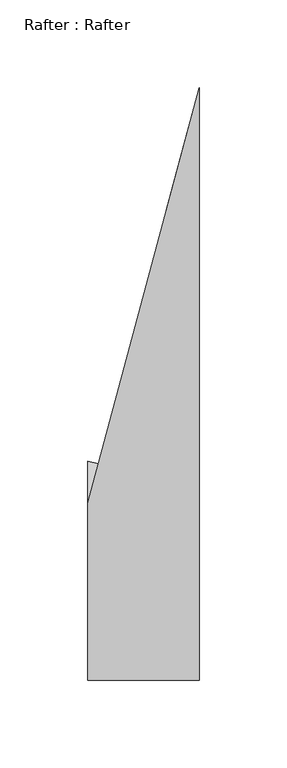
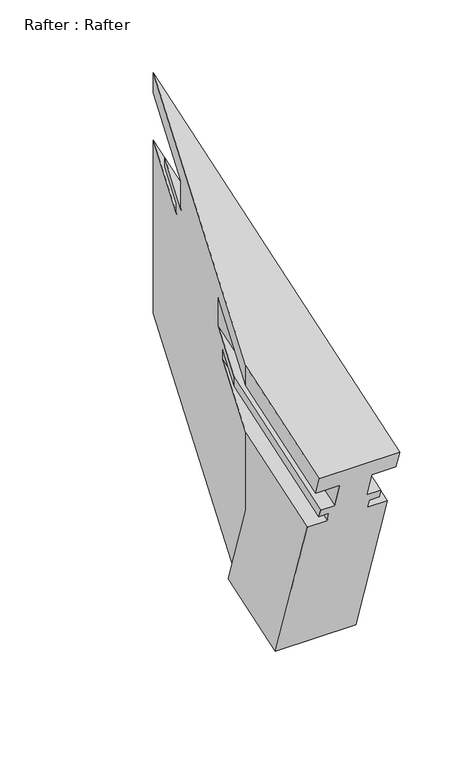
"""IFC4 building model written with IfcOpenShell, lengths in millimetres: proxy geometry, Rafter : Rafter."""

from ifc_helpers import new_model, si_unit, origin, place, context, project, spatial, faceted_brep, source, transform, mapped, element, save


def rafter_rafter_b2ddb9b0(model_context):
    return source(origin(), model_context, "Body", "Brep", [
        faceted_brep([(11458.2897284, -2215.6211927, 1954.6434696), (11394.7897284, -2215.6211927, 1954.6434696), (11394.7897284, -2210.6023777, 1939.5826887), (11413.8397284, -2210.6023777, 1939.5826887), (11413.8397284, -2203.4957358, 1918.256623), (11402.7145284, -2203.4957358, 1918.256623), (11402.7145284, -2201.2312465, 1911.4611986), (11410.6647284, -2201.2312465, 1911.4611986), (11410.6647284, -2198.7338841, 1903.966954), (11394.7897284, -2198.7338841, 1903.966954), (11394.7897284, -2155.3151122, 1773.6731263), (11458.2897284, -2155.3151122, 1773.6731263), (11458.2897284, -2198.7338841, 1903.966954), (11442.4147284, -2198.7338841, 1903.966954), (11442.4147284, -2201.2312465, 1911.4611986), (11450.3649284, -2201.2312465, 1911.4611986), (11450.3649284, -2203.4957358, 1918.256623), (11439.2397284, -2203.4957358, 1918.256623), (11439.2397284, -2210.6023777, 1939.5826887), (11458.2897284, -2210.6023777, 1939.5826887), (11458.2897284, -1877.7713674, 2050.4944179), (11458.2897284, -1877.7750722, 2067.2264209), (11439.2397284, -1948.8669352, 2026.8027181), (11439.2397284, -1948.8616891, 2003.1102019), (11450.3649284, -1907.3418775, 2016.9461546), (11450.3649284, -1907.3402058, 2009.3966748), (11442.4147284, -1937.0107562, 1999.5093388), (11442.4147284, -1937.0089126, 1991.1834941), (11458.2897284, -1877.762606, 2010.9265773), (11458.2897284, -1877.7305543, 1866.1746732), (11394.7897284, -2090.7677965, 1795.1827037), (11400.8170791, -2092.2214016, 1794.6983082), (11394.7897284, -2114.7478323, 1931.9542447), (11394.7897284, -2114.733472, 1867.1004356), (11410.6647284, -2055.5015257, 1951.6973279), (11410.6647284, -2055.5033693, 1960.0231725), (11402.7145284, -2085.1739196, 1950.1358365), (11402.7145284, -2085.1755913, 1957.6853162), (11413.8397284, -2043.6557796, 1971.5212689), (11413.8397284, -2043.6610257, 1995.2137851), (11394.7897284, -2114.7565936, 1971.5220853), (11394.7897284, -2114.7602985, 1988.2540883)], [[[0, 1, 2, 3, 4, 5, 6, 7, 8, 9, 10, 11, 12, 13, 14, 15, 16, 17, 18, 19]], [[0, 19, 20, 21]], [[19, 18, 22, 20]], [[18, 17, 23, 22]], [[17, 16, 24, 23]], [[16, 15, 25, 24]], [[15, 14, 26, 25]], [[14, 13, 27, 26]], [[13, 12, 28, 27]], [[12, 11, 29, 28]], [[11, 10, 30, 31, 29]], [[10, 9, 32, 33, 30]], [[9, 8, 34, 32]], [[8, 7, 35, 34]], [[7, 6, 36, 35]], [[6, 5, 37, 36]], [[5, 4, 38, 37]], [[4, 3, 39, 38]], [[3, 2, 40, 39]], [[2, 1, 41, 40]], [[1, 0, 21, 41]], [[31, 33, 32, 34, 35, 36, 37, 38, 39, 40, 41, 21, 20, 22, 23, 24, 25, 26, 27, 28, 29]], [[33, 31, 30]]]),
    ])


if __name__ == "__main__":
    model = new_model("IFC4")
    model_context = context("Model", 3, world=origin())
    ifc_project = project(units=[si_unit("LENGTHUNIT", "METRE", prefix="MILLI")], contexts=[model_context])
    site = spatial("IfcSite", under=ifc_project)
    building = spatial("IfcBuilding", under=site)
    placement = place(None, origin())
    rafter_rafter_shape = rafter_rafter_b2ddb9b0(model_context)
    element("IfcBuildingElementProxy", 1, Name="Rafter : Rafter", ObjectType="Rafter : Rafter", at=placement, inside=building, context=model_context, shape_type="MappedRepresentation", body=[
        mapped(rafter_rafter_shape, transform((0.0, 0.0, 0.0), x_axis=(1.0, 0.0, 0.0), y_axis=(0.0, 1.0, 0.0), z_axis=(0.0, 0.0, 1.0))),
    ])
    save(model, "model.ifc")
